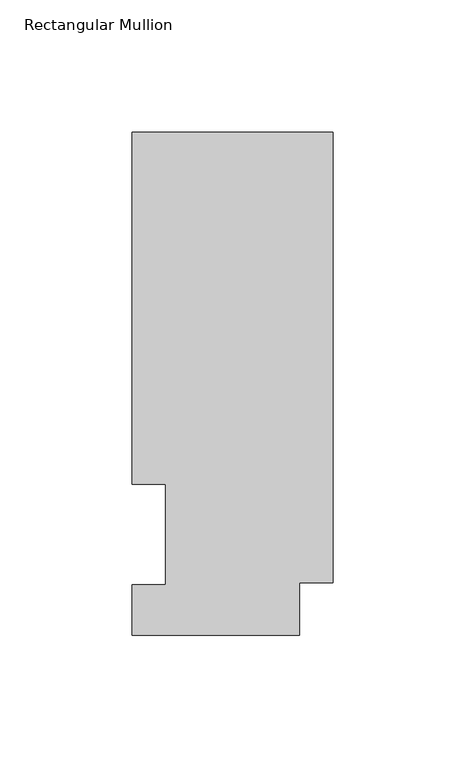
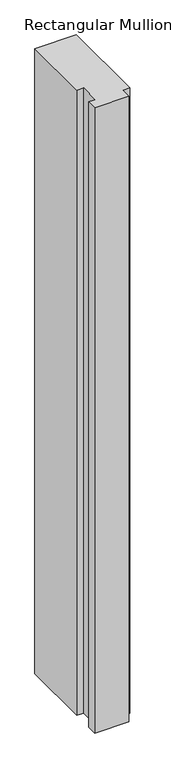
"""IFC4 building model written with IfcOpenShell, lengths in millimetres: member geometry, Rectangular Mullion."""

from ifc_helpers import new_model, si_unit, frame, origin, place, context, project, spatial, polyline, outline, extrude, source, transform, mapped, element, save


def rectangular_mullion_b28f26e2(model_context):
    return source(origin(), model_context, "Body", "SweptSolid", [
        extrude(outline(polyline([(-76.2, 190.5000001), (0.0, 190.5000001), (0.0, 19.9644001), (-12.6999995, 19.9644001), (-12.6999995, -0.0137626), (-76.1999995, -0.0137626), (-76.1999995, 19.0500001), (-63.5000001, 19.0500001), (-63.5000001, 57.15), (-76.2, 57.15), (-76.2, 190.5000001)])), frame((0.0, 0.0, -1219.2), z_axis=(0.0, 0.0, 1.0), x_axis=(1.0, 0.0, 0.0)), (0.0, 0.0, 1.0), 1219.2),
    ])


if __name__ == "__main__":
    model = new_model("IFC4")
    model_context = context("Model", 3, world=origin())
    ifc_project = project(units=[si_unit("LENGTHUNIT", "METRE", prefix="MILLI")], contexts=[model_context])
    site = spatial("IfcSite", under=ifc_project)
    building = spatial("IfcBuilding", under=site)
    placement = place(None, origin())
    rectangular_mullion_shape = rectangular_mullion_b28f26e2(model_context)
    element("IfcMember", 1, ObjectType="Rectangular Mullion", at=placement, inside=building, context=model_context, shape_type="MappedRepresentation", body=[
        mapped(rectangular_mullion_shape, transform((0.0, 0.0, 0.0), x_axis=(1.0, 0.0, 0.0), y_axis=(0.0, 1.0, 0.0), z_axis=(0.0, 0.0, 1.0))),
    ])
    save(model, "model.ifc")
